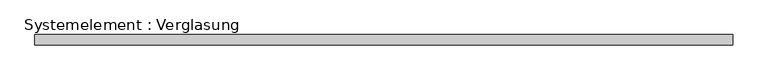
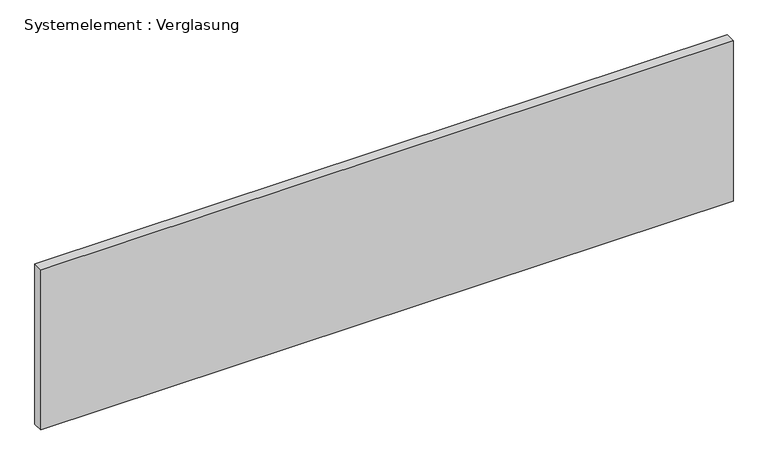
"""IFC4 building model written with IfcOpenShell, lengths in millimetres: plate geometry, Systemelement : Verglasung."""

from ifc_helpers import new_model, si_unit, origin, origin_with_axes, place, context, project, spatial, polyline, outline, extrude, source, transform, mapped, element, save


def systemelement_verglasung_4bc3dcca(model_context):
    return source(origin(), model_context, "Body", "SweptSolid", [
        extrude(outline(polyline([(1000.0, -15.0), (-1000.0, -15.0), (-1000.0, 15.0), (1000.0, 15.0), (1000.0, -15.0)])), origin_with_axes(), (0.0, 0.0, 1.0), 490.0),
    ])


if __name__ == "__main__":
    model = new_model("IFC4")
    model_context = context("Model", 3, world=origin())
    ifc_project = project(units=[si_unit("LENGTHUNIT", "METRE", prefix="MILLI")], contexts=[model_context])
    site = spatial("IfcSite", under=ifc_project)
    building = spatial("IfcBuilding", under=site)
    placement = place(None, origin())
    systemelement_verglasung_shape = systemelement_verglasung_4bc3dcca(model_context)
    element("IfcPlate", 1, ObjectType="Systemelement : Verglasung", at=placement, inside=building, context=model_context, shape_type="MappedRepresentation", body=[
        mapped(systemelement_verglasung_shape, transform((0.0, 0.0, 0.0), x_axis=(1.0, 0.0, 0.0), y_axis=(0.0, 1.0, 0.0), z_axis=(0.0, 0.0, 1.0))),
    ])
    save(model, "model.ifc")
